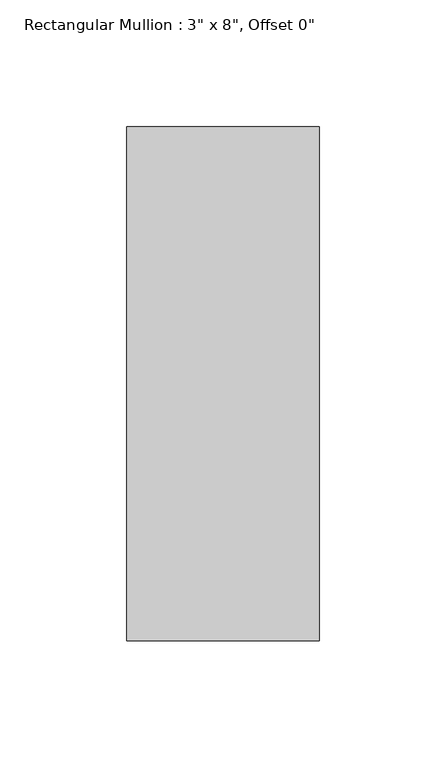
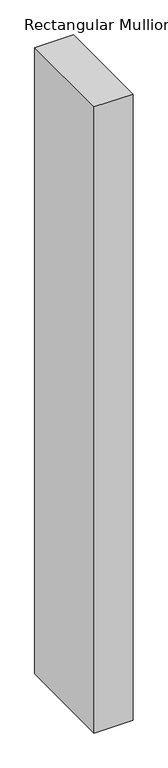
"""IFC4 building model written with IfcOpenShell, lengths in millimetres: member geometry."""

import ifcopenshell
import ifcopenshell.guid

model = None  # the IFC model being written
_history = None  # IfcOwnerHistory: only IFC2X3 demands one
_inside = {}  # id of a spatial element -> (the spatial element, [elements in it])
_under = {}  # id of a project, library or spatial element -> (it, [spatial elements below it])
_declared = {}  # id of a project -> (the project, [libraries it declares])
_typed = {}  # id of a type object -> (the type object, [elements of that type])
_made_of = {}  # id of a material, layer set ... -> (it, [elements and type objects made of it])


def new_model(schema):
    """Start an empty IFC model of exactly this schema.

    Asked for "IFC4X3", IfcOpenShell would pick the latest addendum, in which some entities
    have other attributes; the version numbers below select the first issue.
    IFC2X3 requires an IfcOwnerHistory on every rooted entity: one is made here for all.
    """
    global model, _history
    if schema == "IFC4X3":
        model = ifcopenshell.file(schema_version=(4, 3, 0, 0))
    else:
        model = ifcopenshell.file(schema=schema)
    _inside.clear()
    _under.clear()
    _declared.clear()
    _typed.clear()
    _made_of.clear()
    _history = None
    if model.schema == "IFC2X3":
        org = make("IfcOrganization", Name="unknown")
        user = make(
            "IfcPersonAndOrganization",
            ThePerson=make("IfcPerson", FamilyName="unknown"),
            TheOrganization=org,
        )
        app = make(
            "IfcApplication",
            ApplicationDeveloper=org,
            Version="unknown",
            ApplicationFullName="unknown",
            ApplicationIdentifier="unknown",
        )
        _history = make(
            "IfcOwnerHistory",
            OwningUser=user,
            OwningApplication=app,
            ChangeAction="ADDED",
            CreationDate=0,
        )
    return model


def make(cls, **values):
    """One entity of the class cls with the attributes given. An attribute that is None is left unset."""
    return model.create_entity(
        cls, **{name: value for name, value in values.items() if value is not None}
    )


def rooted(cls, **values):
    """An entity with a GlobalId (a new one), such as an element, a storey or a relation."""
    return make(cls, GlobalId=ifcopenshell.guid.new(), OwnerHistory=_history, **values)


def si_unit(unit_type, name, prefix=None):
    """IfcSIUnit, for example si_unit("LENGTHUNIT", "METRE", prefix="MILLI")."""
    return make("IfcSIUnit", UnitType=unit_type, Prefix=prefix, Name=name)


def assignment(units):
    """IfcUnitAssignment: the units of a project."""
    return None if units is None else make("IfcUnitAssignment", Units=units)


def point(xyz):
    """IfcCartesianPoint."""
    return None if xyz is None else make("IfcCartesianPoint", Coordinates=xyz)


def direction(xyz):
    """IfcDirection."""
    return None if xyz is None else make("IfcDirection", DirectionRatios=xyz)


def frame(location, z_axis=None, x_axis=None):
    """IfcAxis2Placement3D, a coordinate frame: its origin and axes. An axis left out is left unset."""
    return make(
        "IfcAxis2Placement3D",
        Location=point(location),
        Axis=direction(z_axis),
        RefDirection=direction(x_axis),
    )


def origin():
    """The frame at (0, 0, 0) with its axes left unset."""
    return frame((0.0, 0.0, 0.0))


def place(relative_to, where):
    """IfcLocalPlacement: puts the frame where relative to a parent placement (None: the world)."""
    return make(
        "IfcLocalPlacement", PlacementRelTo=relative_to, RelativePlacement=where
    )


def context(
    kind, dimensions, precision=None, world=None, true_north=None, identifier=None
):
    """IfcGeometricRepresentationContext, for example the 3D "Model" context."""
    return make(
        "IfcGeometricRepresentationContext",
        ContextIdentifier=identifier,
        ContextType=kind,
        CoordinateSpaceDimension=dimensions,
        Precision=precision,
        WorldCoordinateSystem=world,
        TrueNorth=true_north,
    )


def project(units=None, contexts=None):
    """IfcProject with its units and contexts."""
    return rooted(
        "IfcProject",
        Name="project",
        RepresentationContexts=contexts,
        UnitsInContext=assignment(units),
    )


def spatial(cls, under=None, at=None, **own):
    """A site, building, storey or space (cls), placed at a placement, below another one or the project."""
    s = rooted(cls, ObjectPlacement=at, **own)
    if under is not None:
        _under.setdefault(under.id(), (under, []))[1].append(s)
    return s


def polyline(points):
    """IfcPolyline through the points."""
    return make("IfcPolyline", Points=[point(p) for p in points])


def outline(outer, holes=None, kind="AREA"):
    """IfcArbitraryClosedProfileDef: a profile drawn as a closed curve; with holes, ...WithVoids."""
    if holes is None:
        return make("IfcArbitraryClosedProfileDef", ProfileType=kind, OuterCurve=outer)
    return make(
        "IfcArbitraryProfileDefWithVoids",
        ProfileType=kind,
        OuterCurve=outer,
        InnerCurves=holes,
    )


def extrude(swept, where, along, depth):
    """IfcExtrudedAreaSolid: the profile swept, set in the frame where, extruded along a direction by depth."""
    return make(
        "IfcExtrudedAreaSolid",
        SweptArea=swept,
        Position=where,
        ExtrudedDirection=direction(along),
        Depth=depth,
    )


def shape(context_of_items, identifier, shape_type, items):
    """IfcShapeRepresentation: the items that make up one representation, for example the "Body"."""
    return make(
        "IfcShapeRepresentation",
        ContextOfItems=context_of_items,
        RepresentationIdentifier=identifier,
        RepresentationType=shape_type,
        Items=items,
    )


def source(mapping_origin, context_of_items, identifier, shape_type, items):
    """IfcRepresentationMap: a shape defined once, which mapped items show again and again."""
    return make(
        "IfcRepresentationMap",
        MappingOrigin=mapping_origin,
        MappedRepresentation=shape(context_of_items, identifier, shape_type, items),
    )


def transform(
    local_origin,
    x_axis=None,
    y_axis=None,
    z_axis=None,
    scale=None,
    scale2=None,
    scale3=None,
    uniform=True,
):
    """IfcCartesianTransformationOperator3D, or its non-uniform kind. x_axis, y_axis, z_axis: its Axis1, 2, 3."""
    if uniform:
        return make(
            "IfcCartesianTransformationOperator3D",
            Axis1=direction(x_axis),
            Axis2=direction(y_axis),
            LocalOrigin=point(local_origin),
            Scale=scale,
            Axis3=direction(z_axis),
        )
    return make(
        "IfcCartesianTransformationOperator3DnonUniform",
        Axis1=direction(x_axis),
        Axis2=direction(y_axis),
        LocalOrigin=point(local_origin),
        Scale=scale,
        Axis3=direction(z_axis),
        Scale2=scale2,
        Scale3=scale3,
    )


def mapped(mapping_source, mapping_target):
    """IfcMappedItem: shows the shape of a source again, moved by a transform."""
    return make(
        "IfcMappedItem", MappingSource=mapping_source, MappingTarget=mapping_target
    )


def made_of(thing, what):
    """Note that an element or type object is made of a material, layer set ...; save() writes the relation."""
    if what is not None:
        _made_of.setdefault(what.id(), (what, []))[1].append(thing)
    return thing


def element(
    cls,
    number,
    at=None,
    inside=None,
    cuts=None,
    type_object=None,
    material=None,
    context=None,
    identifier="Body",
    shape_type=None,
    held_by="IfcProductDefinitionShape",
    body=None,
    shapes=None,
    **own,
):
    """One element of the class cls, such as IfcWall. Its Tag is "e" and its number.

    at: its placement. inside: the storey or other place that contains it. cuts: it is an
    opening in that element (IfcRelVoidsElement). A single representation is given by context,
    identifier, shape_type and body (its items); several are given by shapes. held_by: the class
    of the entity that holds the representations. save() writes the other relations.
    """
    e = rooted(cls, Tag="e%d" % number, ObjectPlacement=at, **own)
    if body is not None:
        shapes = [shape(context, identifier, shape_type, body)]
    if shapes is not None:
        e.Representation = make(held_by, Representations=shapes)
    if inside is not None:
        _inside.setdefault(inside.id(), (inside, []))[1].append(e)
    if cuts is not None:
        rooted(
            "IfcRelVoidsElement", RelatingBuildingElement=cuts, RelatedOpeningElement=e
        )
    if type_object is not None:
        _typed.setdefault(type_object.id(), (type_object, []))[1].append(e)
    return made_of(e, material)


def aggregate(whole, parts):
    """IfcRelAggregates: a whole, such as a stair, and the parts it consists of."""
    return rooted("IfcRelAggregates", RelatingObject=whole, RelatedObjects=parts)


def save(model, path):
    """Write the relations noted so far, then the file.

    IfcRelAggregates (storeys below a building ...), IfcRelContainedInSpatialStructure (elements
    in a storey), IfcRelDefinesByType, IfcRelAssociatesMaterial and IfcRelDeclares: one each for
    every whole, place, type object, material and project.
    """
    for whole, parts in _under.values():
        aggregate(whole, parts)
    for where, things in _inside.values():
        rooted(
            "IfcRelContainedInSpatialStructure",
            RelatedElements=things,
            RelatingStructure=where,
        )
    for kind, things in _typed.values():
        rooted("IfcRelDefinesByType", RelatedObjects=things, RelatingType=kind)
    for what, things in _made_of.values():
        rooted("IfcRelAssociatesMaterial", RelatedObjects=things, RelatingMaterial=what)
    for by, libraries in _declared.values():
        rooted("IfcRelDeclares", RelatingContext=by, RelatedDefinitions=libraries)
    model.write(path)


def member_2f885ebd(model_context):
    return source(origin(), model_context, "Body", "SweptSolid", [
        extrude(outline(polyline([(0.0, 101.6), (0.0, -101.6), (-76.2, -101.6), (-76.2, 101.6), (0.0, 101.6)])), frame((0.0, 0.0, -1304.2011643), z_axis=(0.0, 0.0, 1.0), x_axis=(1.0, 0.0, 0.0)), (0.0, 0.0, 1.0), 1304.2011643),
    ])


if __name__ == "__main__":
    model = new_model("IFC4")
    model_context = context("Model", 3, world=origin())
    ifc_project = project(units=[si_unit("LENGTHUNIT", "METRE", prefix="MILLI")], contexts=[model_context])
    site = spatial("IfcSite", under=ifc_project)
    building = spatial("IfcBuilding", under=site)
    placement = place(None, origin())
    member_shape = member_2f885ebd(model_context)
    element("IfcMember", 1, ObjectType="Rectangular Mullion : 3\" x 8\", Offset 0\"", at=placement, inside=building, context=model_context, shape_type="MappedRepresentation", body=[
        mapped(member_shape, transform((0.0, 0.0, 0.0), x_axis=(1.0, 0.0, 0.0), y_axis=(0.0, 1.0, 0.0), z_axis=(0.0, 0.0, 1.0))),
    ])
    save(model, "model.ifc")
